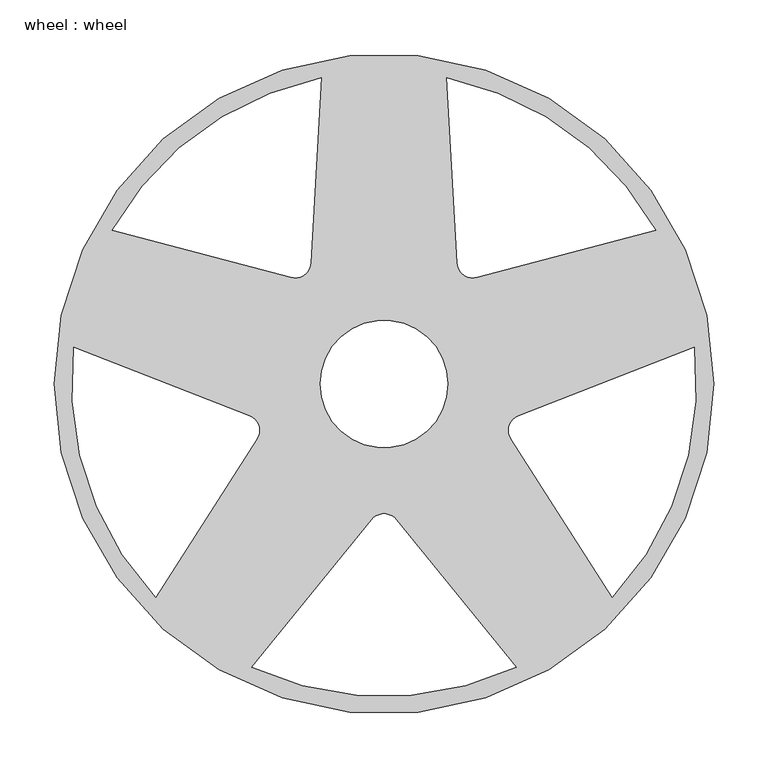
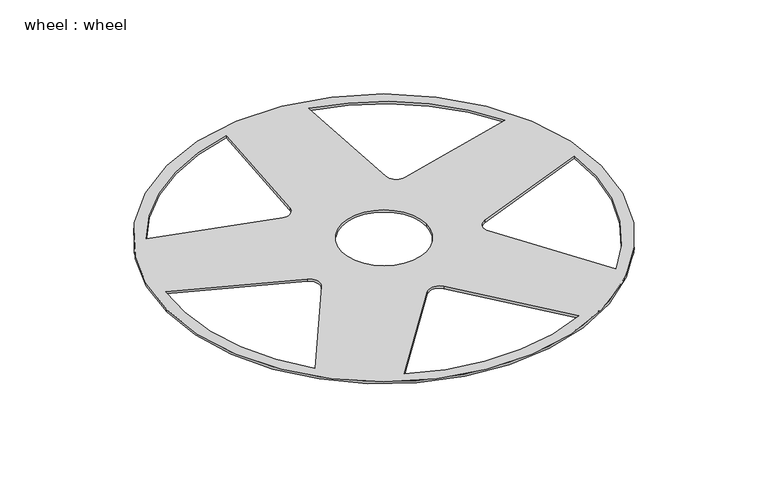
"""IFC4 building model written with IfcOpenShell, lengths in millimetres: proxy geometry, wheel : wheel."""

from ifc_helpers import new_model, si_unit, point, frame_2d, origin, origin_with_axes, place, context, project, spatial, polyline, circle_curve, trimmed, segment, composite_curve, outline, extrude, source, transform, mapped, element, save


def wheel_wheel_6a8e7aba(model_context):
    return source(origin(), model_context, "Body", "SweptSolid", [
        extrude(outline(composite_curve([segment(trimmed(circle_curve(frame_2d((147.011279, 134.2904108)), 304.8), [point((-157.788721, 134.2904108))], [point((451.811279, 134.2904108))], False, "CARTESIAN"), True, "CONTINUOUS"), segment(trimmed(circle_curve(frame_2d((147.011279, 134.2904108)), 304.8), [point((451.811279, 134.2904108))], [point((-157.788721, 134.2904108))], False, "CARTESIAN"), True, "CONTINUOUS")], self_intersect=False), holes=[composite_curve([segment(polyline([(-64.0270804, -62.7156823), (29.5618715, 83.2346109)]), True, "CONTINUOUS"), segment(trimmed(circle_curve(frame_2d((17.146713, 91.1956889)), 14.7483871), [point((29.5618715, 83.2346109))], [point((22.511383, 104.9337833))], True, "CARTESIAN"), True, "CONTINUOUS"), segment(polyline([(22.511383, 104.9337833), (-139.6836097, 168.2702675)]), True, "CONTINUOUS"), segment(trimmed(circle_curve(frame_2d((147.011279, 134.2904108)), 288.7015585), [point((-139.6836097, 168.2702675))], [point((-64.0270804, -62.7156823))], True, "CARTESIAN"), True, "CONTINUOUS")], self_intersect=False), composite_curve([segment(polyline([(-104.2418909, 276.4889851), (60.9694347, 232.7503184)]), True, "CONTINUOUS"), segment(trimmed(circle_curve(frame_2d((64.7439419, 247.0075278)), 14.7483871), [point((60.9694347, 232.7503184))], [point((79.4697406, 246.1915774))], True, "CARTESIAN"), True, "CONTINUOUS"), segment(polyline([(79.4697406, 246.1915774), (88.9392115, 417.0910913)]), True, "CONTINUOUS"), segment(trimmed(circle_curve(frame_2d((147.011279, 134.2904108)), 288.7015585), [point((88.9392115, 417.0910913))], [point((-104.2418909, 276.4889851))], True, "CARTESIAN"), True, "CONTINUOUS")], self_intersect=False), composite_curve([segment(polyline([(205.0833464, 417.0910913), (214.5528174, 246.1915774)]), True, "CONTINUOUS"), segment(trimmed(circle_curve(frame_2d((229.2786161, 247.0075278)), 14.7483871), [point((214.5528174, 246.1915774))], [point((233.0531232, 232.7503184))], True, "CARTESIAN"), True, "CONTINUOUS"), segment(polyline([(233.0531232, 232.7503184), (398.2644488, 276.4889851)]), True, "CONTINUOUS"), segment(trimmed(circle_curve(frame_2d((147.011279, 134.2904108)), 288.7015585), [point((398.2644488, 276.4889851))], [point((205.0833464, 417.0910913))], True, "CARTESIAN"), True, "CONTINUOUS")], self_intersect=False), composite_curve([segment(polyline([(433.7061677, 168.2702675), (271.511175, 104.9337833)]), True, "CONTINUOUS"), segment(trimmed(circle_curve(frame_2d((276.8758449, 91.1956889)), 14.7483871), [point((271.511175, 104.9337833))], [point((264.4606865, 83.2346109))], True, "CARTESIAN"), True, "CONTINUOUS"), segment(polyline([(264.4606865, 83.2346109), (358.0496384, -62.7156823)]), True, "CONTINUOUS"), segment(trimmed(circle_curve(frame_2d((147.011279, 134.2904108)), 288.7015585), [point((358.0496384, -62.7156823))], [point((433.7061677, 168.2702675))], True, "CARTESIAN"), True, "CONTINUOUS")], self_intersect=False), composite_curve([segment(polyline([(269.3435681, -127.2117898), (158.4450968, 8.9013858)]), True, "CONTINUOUS"), segment(trimmed(circle_curve(frame_2d((147.011279, -0.4143392)), 14.7483871), [point((158.4450968, 8.9013858))], [point((135.5774612, 8.9013858))], True, "CARTESIAN"), True, "CONTINUOUS"), segment(polyline([(135.5774612, 8.9013858), (24.6789898, -127.2117898)]), True, "CONTINUOUS"), segment(trimmed(circle_curve(frame_2d((147.011279, 134.2904108)), 288.7015585), [point((24.6789898, -127.2117898))], [point((269.3435681, -127.2117898))], True, "CARTESIAN"), True, "CONTINUOUS")], self_intersect=False), composite_curve([segment(trimmed(circle_curve(frame_2d((147.011279, 134.2904108)), 58.9935484), [point((88.0177306, 134.2904108))], [point((206.0048274, 134.2904108))], True, "CARTESIAN"), True, "CONTINUOUS"), segment(trimmed(circle_curve(frame_2d((147.011279, 134.2904108)), 58.9935484), [point((206.0048274, 134.2904108))], [point((88.0177306, 134.2904108))], True, "CARTESIAN"), True, "CONTINUOUS")], self_intersect=False)]), origin_with_axes(), (0.0, 0.0, 1.0), 3.175),
    ])


if __name__ == "__main__":
    model = new_model("IFC4")
    model_context = context("Model", 3, world=origin())
    ifc_project = project(units=[si_unit("LENGTHUNIT", "METRE", prefix="MILLI")], contexts=[model_context])
    site = spatial("IfcSite", under=ifc_project)
    building = spatial("IfcBuilding", under=site)
    placement = place(None, origin())
    wheel_wheel_shape = wheel_wheel_6a8e7aba(model_context)
    element("IfcBuildingElementProxy", 1, Name="wheel : wheel", ObjectType="wheel : wheel", at=placement, inside=building, context=model_context, shape_type="MappedRepresentation", body=[
        mapped(wheel_wheel_shape, transform((0.0, 0.0, 0.0), x_axis=(1.0, 0.0, 0.0), y_axis=(0.0, 1.0, 0.0), z_axis=(0.0, 0.0, 1.0))),
    ])
    save(model, "model.ifc")
